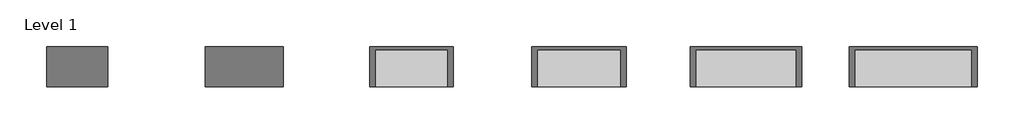
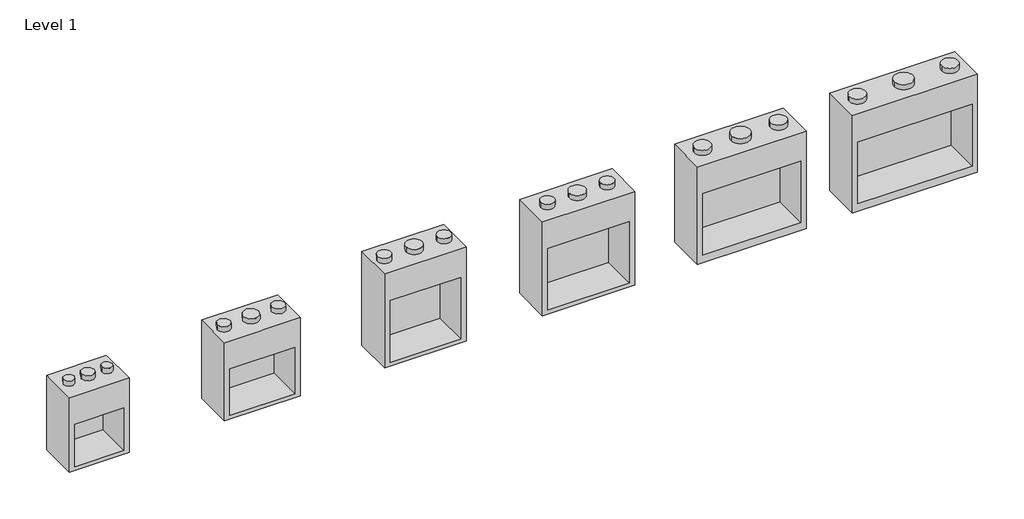
# One storey: 6 proxies.
"""IFC4 building model written with IfcOpenShell, lengths in millimetres."""

import ifcopenshell
import ifcopenshell.guid

model = None  # the IFC model being written
_history = None  # IfcOwnerHistory: only IFC2X3 demands one
_inside = {}  # id of a spatial element -> (the spatial element, [elements in it])
_under = {}  # id of a project, library or spatial element -> (it, [spatial elements below it])
_declared = {}  # id of a project -> (the project, [libraries it declares])
_typed = {}  # id of a type object -> (the type object, [elements of that type])
_made_of = {}  # id of a material, layer set ... -> (it, [elements and type objects made of it])


def new_model(schema):
    """Start an empty IFC model of exactly this schema.

    Asked for "IFC4X3", IfcOpenShell would pick the latest addendum, in which some entities
    have other attributes; the version numbers below select the first issue.
    IFC2X3 requires an IfcOwnerHistory on every rooted entity: one is made here for all.
    """
    global model, _history
    if schema == "IFC4X3":
        model = ifcopenshell.file(schema_version=(4, 3, 0, 0))
    else:
        model = ifcopenshell.file(schema=schema)
    _inside.clear()
    _under.clear()
    _declared.clear()
    _typed.clear()
    _made_of.clear()
    _history = None
    if model.schema == "IFC2X3":
        org = make("IfcOrganization", Name="unknown")
        user = make(
            "IfcPersonAndOrganization",
            ThePerson=make("IfcPerson", FamilyName="unknown"),
            TheOrganization=org,
        )
        app = make(
            "IfcApplication",
            ApplicationDeveloper=org,
            Version="unknown",
            ApplicationFullName="unknown",
            ApplicationIdentifier="unknown",
        )
        _history = make(
            "IfcOwnerHistory",
            OwningUser=user,
            OwningApplication=app,
            ChangeAction="ADDED",
            CreationDate=0,
        )
    return model


def make(cls, **values):
    """One entity of the class cls with the attributes given. An attribute that is None is left unset."""
    return model.create_entity(
        cls, **{name: value for name, value in values.items() if value is not None}
    )


def rooted(cls, **values):
    """An entity with a GlobalId (a new one), such as an element, a storey or a relation."""
    return make(cls, GlobalId=ifcopenshell.guid.new(), OwnerHistory=_history, **values)


def si_unit(unit_type, name, prefix=None):
    """IfcSIUnit, for example si_unit("LENGTHUNIT", "METRE", prefix="MILLI")."""
    return make("IfcSIUnit", UnitType=unit_type, Prefix=prefix, Name=name)


def assignment(units):
    """IfcUnitAssignment: the units of a project."""
    return None if units is None else make("IfcUnitAssignment", Units=units)


def point(xyz):
    """IfcCartesianPoint."""
    return None if xyz is None else make("IfcCartesianPoint", Coordinates=xyz)


def direction(xyz):
    """IfcDirection."""
    return None if xyz is None else make("IfcDirection", DirectionRatios=xyz)


def frame(location, z_axis=None, x_axis=None):
    """IfcAxis2Placement3D, a coordinate frame: its origin and axes. An axis left out is left unset."""
    return make(
        "IfcAxis2Placement3D",
        Location=point(location),
        Axis=direction(z_axis),
        RefDirection=direction(x_axis),
    )


def frame_2d(location, x_axis=None):
    """IfcAxis2Placement2D, a coordinate frame in the plane: its origin and x axis."""
    return make(
        "IfcAxis2Placement2D", Location=point(location), RefDirection=direction(x_axis)
    )


def origin():
    """The frame at (0, 0, 0) with its axes left unset."""
    return frame((0.0, 0.0, 0.0))


def origin_2d():
    """The frame at (0, 0) in the plane with its x axis left unset."""
    return frame_2d((0.0, 0.0))


def place(relative_to, where):
    """IfcLocalPlacement: puts the frame where relative to a parent placement (None: the world)."""
    return make(
        "IfcLocalPlacement", PlacementRelTo=relative_to, RelativePlacement=where
    )


def context(
    kind, dimensions, precision=None, world=None, true_north=None, identifier=None
):
    """IfcGeometricRepresentationContext, for example the 3D "Model" context."""
    return make(
        "IfcGeometricRepresentationContext",
        ContextIdentifier=identifier,
        ContextType=kind,
        CoordinateSpaceDimension=dimensions,
        Precision=precision,
        WorldCoordinateSystem=world,
        TrueNorth=true_north,
    )


def project(units=None, contexts=None):
    """IfcProject with its units and contexts."""
    return rooted(
        "IfcProject",
        Name="project",
        RepresentationContexts=contexts,
        UnitsInContext=assignment(units),
    )


def spatial(cls, under=None, at=None, **own):
    """A site, building, storey or space (cls), placed at a placement, below another one or the project."""
    s = rooted(cls, ObjectPlacement=at, **own)
    if under is not None:
        _under.setdefault(under.id(), (under, []))[1].append(s)
    return s


def circle_curve(where, radius):
    """IfcCircle in the frame where."""
    return make("IfcCircle", Position=where, Radius=radius)


def trimmed(basis, trim1, trim2, sense, master):
    """IfcTrimmedCurve: the piece of a basis curve between two trims."""
    return make(
        "IfcTrimmedCurve",
        BasisCurve=basis,
        Trim1=trim1,
        Trim2=trim2,
        SenseAgreement=sense,
        MasterRepresentation=master,
    )


def segment(curve, same_sense, transition):
    """IfcCompositeCurveSegment."""
    return make(
        "IfcCompositeCurveSegment",
        Transition=transition,
        SameSense=same_sense,
        ParentCurve=curve,
    )


def composite_curve(segments, self_intersect=None):
    """IfcCompositeCurve: segments joined end to end."""
    return make("IfcCompositeCurve", Segments=segments, SelfIntersect=self_intersect)


def outline(outer, holes=None, kind="AREA"):
    """IfcArbitraryClosedProfileDef: a profile drawn as a closed curve; with holes, ...WithVoids."""
    if holes is None:
        return make("IfcArbitraryClosedProfileDef", ProfileType=kind, OuterCurve=outer)
    return make(
        "IfcArbitraryProfileDefWithVoids",
        ProfileType=kind,
        OuterCurve=outer,
        InnerCurves=holes,
    )


def extrude(swept, where, along, depth):
    """IfcExtrudedAreaSolid: the profile swept, set in the frame where, extruded along a direction by depth."""
    return make(
        "IfcExtrudedAreaSolid",
        SweptArea=swept,
        Position=where,
        ExtrudedDirection=direction(along),
        Depth=depth,
    )


def faces_of(points, faces, orient=None, outer=None):
    """IfcFace entities. A face is a list of loops; a loop is a list of indices into points, from 0.

    orient and outer hold one flag for each loop. By default every Orientation is true, the
    first loop of a face is its IfcFaceOuterBound and the others are IfcFaceBound.
    """
    made = []
    for i, loops in enumerate(faces):
        bounds = []
        for j, loop in enumerate(loops):
            is_outer = j == 0 if outer is None else outer[i][j]
            bounds.append(
                make(
                    "IfcFaceOuterBound" if is_outer else "IfcFaceBound",
                    Bound=make("IfcPolyLoop", Polygon=[points[k] for k in loop]),
                    Orientation=True if orient is None else orient[i][j],
                )
            )
        made.append(make("IfcFace", Bounds=bounds))
    return made


def faceted_brep(points, faces, orient=None, outer=None, voids=None):
    """IfcFacetedBrep: a solid bounded by flat faces; with voids (closed shells), ...WithVoids."""
    shared = [point(p) for p in points]
    hull = make("IfcClosedShell", CfsFaces=faces_of(shared, faces, orient, outer))
    if voids is None:
        return make("IfcFacetedBrep", Outer=hull)
    return make(
        "IfcFacetedBrepWithVoids",
        Outer=hull,
        Voids=[
            make(cls, CfsFaces=faces_of(shared, fs, o, b)) for cls, fs, o, b in voids
        ],
    )


def shape(context_of_items, identifier, shape_type, items):
    """IfcShapeRepresentation: the items that make up one representation, for example the "Body"."""
    return make(
        "IfcShapeRepresentation",
        ContextOfItems=context_of_items,
        RepresentationIdentifier=identifier,
        RepresentationType=shape_type,
        Items=items,
    )


def source(mapping_origin, context_of_items, identifier, shape_type, items):
    """IfcRepresentationMap: a shape defined once, which mapped items show again and again."""
    return make(
        "IfcRepresentationMap",
        MappingOrigin=mapping_origin,
        MappedRepresentation=shape(context_of_items, identifier, shape_type, items),
    )


def transform(
    local_origin,
    x_axis=None,
    y_axis=None,
    z_axis=None,
    scale=None,
    scale2=None,
    scale3=None,
    uniform=True,
):
    """IfcCartesianTransformationOperator3D, or its non-uniform kind. x_axis, y_axis, z_axis: its Axis1, 2, 3."""
    if uniform:
        return make(
            "IfcCartesianTransformationOperator3D",
            Axis1=direction(x_axis),
            Axis2=direction(y_axis),
            LocalOrigin=point(local_origin),
            Scale=scale,
            Axis3=direction(z_axis),
        )
    return make(
        "IfcCartesianTransformationOperator3DnonUniform",
        Axis1=direction(x_axis),
        Axis2=direction(y_axis),
        LocalOrigin=point(local_origin),
        Scale=scale,
        Axis3=direction(z_axis),
        Scale2=scale2,
        Scale3=scale3,
    )


def mapped(mapping_source, mapping_target):
    """IfcMappedItem: shows the shape of a source again, moved by a transform."""
    return make(
        "IfcMappedItem", MappingSource=mapping_source, MappingTarget=mapping_target
    )


def made_of(thing, what):
    """Note that an element or type object is made of a material, layer set ...; save() writes the relation."""
    if what is not None:
        _made_of.setdefault(what.id(), (what, []))[1].append(thing)
    return thing


def element(
    cls,
    number,
    at=None,
    inside=None,
    cuts=None,
    type_object=None,
    material=None,
    context=None,
    identifier="Body",
    shape_type=None,
    held_by="IfcProductDefinitionShape",
    body=None,
    shapes=None,
    **own,
):
    """One element of the class cls, such as IfcWall. Its Tag is "e" and its number.

    at: its placement. inside: the storey or other place that contains it. cuts: it is an
    opening in that element (IfcRelVoidsElement). A single representation is given by context,
    identifier, shape_type and body (its items); several are given by shapes. held_by: the class
    of the entity that holds the representations. save() writes the other relations.
    """
    e = rooted(cls, Tag="e%d" % number, ObjectPlacement=at, **own)
    if body is not None:
        shapes = [shape(context, identifier, shape_type, body)]
    if shapes is not None:
        e.Representation = make(held_by, Representations=shapes)
    if inside is not None:
        _inside.setdefault(inside.id(), (inside, []))[1].append(e)
    if cuts is not None:
        rooted(
            "IfcRelVoidsElement", RelatingBuildingElement=cuts, RelatedOpeningElement=e
        )
    if type_object is not None:
        _typed.setdefault(type_object.id(), (type_object, []))[1].append(e)
    return made_of(e, material)


def aggregate(whole, parts):
    """IfcRelAggregates: a whole, such as a stair, and the parts it consists of."""
    return rooted("IfcRelAggregates", RelatingObject=whole, RelatedObjects=parts)


def save(model, path):
    """Write the relations noted so far, then the file.

    IfcRelAggregates (storeys below a building ...), IfcRelContainedInSpatialStructure (elements
    in a storey), IfcRelDefinesByType, IfcRelAssociatesMaterial and IfcRelDeclares: one each for
    every whole, place, type object, material and project.
    """
    for whole, parts in _under.values():
        aggregate(whole, parts)
    for where, things in _inside.values():
        rooted(
            "IfcRelContainedInSpatialStructure",
            RelatedElements=things,
            RelatingStructure=where,
        )
    for kind, things in _typed.values():
        rooted("IfcRelDefinesByType", RelatedObjects=things, RelatingType=kind)
    for what, things in _made_of.values():
        rooted("IfcRelAssociatesMaterial", RelatedObjects=things, RelatingMaterial=what)
    for by, libraries in _declared.values():
        rooted("IfcRelDeclares", RelatingContext=by, RelatedDefinitions=libraries)
    model.write(path)


def generic_models_3d589b19(model_context):
    return source(origin(), model_context, "Body", "SolidModel", [
        faceted_brep([(1016.0, 368.3, 1930.4), (-1016.0, 368.3, 1930.4), (-1016.0, -368.3, 1930.4), (1016.0, -368.3, 1930.4), (1016.0, 368.3, 0.0), (1016.0, -368.3, 0.0), (-1016.0, -368.3, 0.0), (-1016.0, 368.3, 0.0), (-914.4, -368.3, 1371.6), (914.4, -368.3, 1371.6), (914.4, -368.3, 152.4), (-914.4, -368.3, 152.4), (914.4, 307.149358, 1371.6), (-914.4, 307.149358, 1371.6), (-914.4, 307.149358, 152.4), (914.4, 307.149358, 152.4)], [[[0, 1, 2, 3]], [[4, 5, 6, 7]], [[1, 0, 4, 7]], [[2, 1, 7, 6]], [[3, 2, 6, 5], [8, 9, 10, 11]], [[0, 3, 5, 4]], [[12, 13, 14, 15]], [[13, 12, 9, 8]], [[14, 13, 8, 11]], [[15, 14, 11, 10]], [[12, 15, 10, 9]]]),
        extrude(outline(composite_curve([segment(trimmed(circle_curve(origin_2d(), 174.625), [point((-174.625, 0.0))], [point((174.625, 0.0))], False, "CARTESIAN"), True, "CONTINUOUS"), segment(trimmed(circle_curve(origin_2d(), 174.625), [point((174.625, 0.0))], [point((-174.625, 0.0))], False, "CARTESIAN"), True, "CONTINUOUS")], self_intersect=False)), frame((0.0, 0.0, 1930.4), z_axis=(0.0, 0.0, 1.0), x_axis=(1.0, 0.0, 0.0)), (0.0, 0.0, 1.0), 101.6),
        extrude(outline(composite_curve([segment(trimmed(circle_curve(frame_2d((-711.2, -0.0635)), 150.876), [point((-862.076, -0.0635))], [point((-560.324, -0.0635))], False, "CARTESIAN"), True, "CONTINUOUS"), segment(trimmed(circle_curve(frame_2d((-711.2, -0.0635)), 150.876), [point((-560.324, -0.0635))], [point((-862.076, -0.0635))], False, "CARTESIAN"), True, "CONTINUOUS")], self_intersect=False)), frame((0.0, 0.0, 1930.4), z_axis=(0.0, 0.0, 1.0), x_axis=(1.0, 0.0, 0.0)), (0.0, 0.0, 1.0), 101.6),
        extrude(outline(composite_curve([segment(trimmed(circle_curve(frame_2d((711.2, 0.0)), 150.8125), [point((560.3875, 0.0))], [point((862.0125, 0.0))], False, "CARTESIAN"), True, "CONTINUOUS"), segment(trimmed(circle_curve(frame_2d((711.2, 0.0)), 150.8125), [point((862.0125, 0.0))], [point((560.3875, 0.0))], False, "CARTESIAN"), True, "CONTINUOUS")], self_intersect=False)), frame((0.0, 0.0, 1930.4), z_axis=(0.0, 0.0, 1.0), x_axis=(1.0, 0.0, 0.0)), (0.0, 0.0, 1.0), 101.6),
    ])


def generic_models_e2311a0a(model_context):
    return source(origin(), model_context, "Body", "SolidModel", [
        faceted_brep([(1168.4, 368.3, 1930.4), (-1168.4, 368.3, 1930.4), (-1168.4, -368.3, 1930.4), (1168.4, -368.3, 1930.4), (1168.4, 368.3, 0.0), (1168.4, -368.3, 0.0), (-1168.4, -368.3, 0.0), (-1168.4, 368.3, 0.0), (-1066.8, -368.3, 1371.6), (1066.8, -368.3, 1371.6), (1066.8, -368.3, 152.4), (-1066.8, -368.3, 152.4), (1066.8, 307.149358, 1371.6), (-1066.8, 307.149358, 1371.6), (-1066.8, 307.149358, 152.4), (1066.8, 307.149358, 152.4)], [[[0, 1, 2, 3]], [[4, 5, 6, 7]], [[1, 0, 4, 7]], [[2, 1, 7, 6]], [[3, 2, 6, 5], [8, 9, 10, 11]], [[0, 3, 5, 4]], [[12, 13, 14, 15]], [[13, 12, 9, 8]], [[14, 13, 8, 11]], [[15, 14, 11, 10]], [[12, 15, 10, 9]]]),
        extrude(outline(composite_curve([segment(trimmed(circle_curve(origin_2d(), 174.625), [point((-174.625, 0.0))], [point((174.625, 0.0))], False, "CARTESIAN"), True, "CONTINUOUS"), segment(trimmed(circle_curve(origin_2d(), 174.625), [point((174.625, 0.0))], [point((-174.625, 0.0))], False, "CARTESIAN"), True, "CONTINUOUS")], self_intersect=False)), frame((0.0, 0.0, 1930.4), z_axis=(0.0, 0.0, 1.0), x_axis=(1.0, 0.0, 0.0)), (0.0, 0.0, 1.0), 101.6),
        extrude(outline(composite_curve([segment(trimmed(circle_curve(frame_2d((-863.6, -0.0635)), 150.876), [point((-1014.476, -0.0635))], [point((-712.724, -0.0635))], False, "CARTESIAN"), True, "CONTINUOUS"), segment(trimmed(circle_curve(frame_2d((-863.6, -0.0635)), 150.876), [point((-712.724, -0.0635))], [point((-1014.476, -0.0635))], False, "CARTESIAN"), True, "CONTINUOUS")], self_intersect=False)), frame((0.0, 0.0, 1930.4), z_axis=(0.0, 0.0, 1.0), x_axis=(1.0, 0.0, 0.0)), (0.0, 0.0, 1.0), 101.6),
        extrude(outline(composite_curve([segment(trimmed(circle_curve(frame_2d((863.6, 0.0)), 150.8125), [point((712.7875, 0.0))], [point((1014.4125, 0.0))], False, "CARTESIAN"), True, "CONTINUOUS"), segment(trimmed(circle_curve(frame_2d((863.6, 0.0)), 150.8125), [point((1014.4125, 0.0))], [point((712.7875, 0.0))], False, "CARTESIAN"), True, "CONTINUOUS")], self_intersect=False)), frame((0.0, 0.0, 1930.4), z_axis=(0.0, 0.0, 1.0), x_axis=(1.0, 0.0, 0.0)), (0.0, 0.0, 1.0), 101.6),
    ])


def generic_models_7038497d(model_context):
    return source(origin(), model_context, "Body", "SolidModel", [
        faceted_brep([(558.8, 368.3, 1473.2), (-558.8, 368.3, 1473.2), (-558.8, -368.3, 1473.2), (558.8, -368.3, 1473.2), (558.8, 368.3, 0.0), (558.8, -368.3, 0.0), (-558.8, -368.3, 0.0), (-558.8, 368.3, 0.0), (-457.2, -368.3, 914.4), (457.2, -368.3, 914.4), (457.2, -368.3, 76.2), (-457.2, -368.3, 76.2), (457.2, 308.4563686, 914.4), (-457.2, 308.4563686, 914.4), (-457.2, 308.4563686, 76.2), (457.2, 308.4563686, 76.2)], [[[0, 1, 2, 3]], [[4, 5, 6, 7]], [[1, 0, 4, 7]], [[2, 1, 7, 6]], [[3, 2, 6, 5], [8, 9, 10, 11]], [[0, 3, 5, 4]], [[12, 13, 14, 15]], [[13, 12, 9, 8]], [[14, 13, 8, 11]], [[15, 14, 11, 10]], [[12, 15, 10, 9]]]),
        extrude(outline(composite_curve([segment(trimmed(circle_curve(origin_2d(), 123.825), [point((-123.825, 0.0))], [point((123.825, 0.0))], False, "CARTESIAN"), True, "CONTINUOUS"), segment(trimmed(circle_curve(origin_2d(), 123.825), [point((123.825, 0.0))], [point((-123.825, 0.0))], False, "CARTESIAN"), True, "CONTINUOUS")], self_intersect=False)), frame((0.0, 0.0, 1473.2), z_axis=(0.0, 0.0, 1.0), x_axis=(1.0, 0.0, 0.0)), (0.0, 0.0, 1.0), 101.6),
        extrude(outline(composite_curve([segment(trimmed(circle_curve(frame_2d((-355.6, 0.0)), 100.0125), [point((-455.6125, 0.0))], [point((-255.5875, 0.0))], False, "CARTESIAN"), True, "CONTINUOUS"), segment(trimmed(circle_curve(frame_2d((-355.6, 0.0)), 100.0125), [point((-255.5875, 0.0))], [point((-455.6125, 0.0))], False, "CARTESIAN"), True, "CONTINUOUS")], self_intersect=False)), frame((0.0, 0.0, 1473.2), z_axis=(0.0, 0.0, 1.0), x_axis=(1.0, 0.0, 0.0)), (0.0, 0.0, 1.0), 101.6),
        extrude(outline(composite_curve([segment(trimmed(circle_curve(frame_2d((355.6, 0.0)), 100.0125), [point((255.5875, 0.0))], [point((455.6125, 0.0))], False, "CARTESIAN"), True, "CONTINUOUS"), segment(trimmed(circle_curve(frame_2d((355.6, 0.0)), 100.0125), [point((455.6125, 0.0))], [point((255.5875, 0.0))], False, "CARTESIAN"), True, "CONTINUOUS")], self_intersect=False)), frame((0.0, 0.0, 1473.2), z_axis=(0.0, 0.0, 1.0), x_axis=(1.0, 0.0, 0.0)), (0.0, 0.0, 1.0), 101.6),
    ])


def generic_models_60eb7863(model_context):
    return source(origin(), model_context, "Body", "SolidModel", [
        faceted_brep([(711.2, 368.3, 1549.4), (-711.2, 368.3, 1549.4), (-711.2, -368.3, 1549.4), (711.2, -368.3, 1549.4), (711.2, 368.3, 0.0), (711.2, -368.3, 0.0), (-711.2, -368.3, 0.0), (-711.2, 368.3, 0.0), (-609.6, -368.3, 990.6), (609.6, -368.3, 990.6), (609.6, -368.3, 76.2), (-609.6, -368.3, 76.2), (609.6, 307.149358, 990.6), (-609.6, 307.149358, 990.6), (-609.6, 307.149358, 76.2), (609.6, 307.149358, 76.2)], [[[0, 1, 2, 3]], [[4, 5, 6, 7]], [[1, 0, 4, 7]], [[2, 1, 7, 6]], [[3, 2, 6, 5], [8, 9, 10, 11]], [[0, 3, 5, 4]], [[12, 13, 14, 15]], [[13, 12, 9, 8]], [[14, 13, 8, 11]], [[15, 14, 11, 10]], [[12, 15, 10, 9]]]),
        extrude(outline(composite_curve([segment(trimmed(circle_curve(origin_2d(), 149.225), [point((-149.225, 0.0))], [point((149.225, 0.0))], False, "CARTESIAN"), True, "CONTINUOUS"), segment(trimmed(circle_curve(origin_2d(), 149.225), [point((149.225, 0.0))], [point((-149.225, 0.0))], False, "CARTESIAN"), True, "CONTINUOUS")], self_intersect=False)), frame((0.0, 0.0, 1549.4), z_axis=(0.0, 0.0, 1.0), x_axis=(1.0, 0.0, 0.0)), (0.0, 0.0, 1.0), 101.6),
        extrude(outline(composite_curve([segment(trimmed(circle_curve(frame_2d((-508.0, 0.0)), 125.4125), [point((-633.4125, 0.0))], [point((-382.5875, 0.0))], False, "CARTESIAN"), True, "CONTINUOUS"), segment(trimmed(circle_curve(frame_2d((-508.0, 0.0)), 125.4125), [point((-382.5875, 0.0))], [point((-633.4125, 0.0))], False, "CARTESIAN"), True, "CONTINUOUS")], self_intersect=False)), frame((0.0, 0.0, 1549.4), z_axis=(0.0, 0.0, 1.0), x_axis=(1.0, 0.0, 0.0)), (0.0, 0.0, 1.0), 101.6),
        extrude(outline(composite_curve([segment(trimmed(circle_curve(frame_2d((508.0, 0.0)), 125.4125), [point((382.5875, 0.0))], [point((633.4125, 0.0))], False, "CARTESIAN"), True, "CONTINUOUS"), segment(trimmed(circle_curve(frame_2d((508.0, 0.0)), 125.4125), [point((633.4125, 0.0))], [point((382.5875, 0.0))], False, "CARTESIAN"), True, "CONTINUOUS")], self_intersect=False)), frame((0.0, 0.0, 1549.4), z_axis=(0.0, 0.0, 1.0), x_axis=(1.0, 0.0, 0.0)), (0.0, 0.0, 1.0), 101.6),
    ])


def generic_models_cf3109e2(model_context):
    return source(origin(), model_context, "Body", "SolidModel", [
        faceted_brep([(762.0, 368.3, 1854.2), (-762.0, 368.3, 1854.2), (-762.0, -368.3, 1854.2), (762.0, -368.3, 1854.2), (762.0, 368.3, 0.0), (762.0, -368.3, 0.0), (-762.0, -368.3, 0.0), (-762.0, 368.3, 0.0), (-660.4, -368.3, 1295.4), (660.4, -368.3, 1295.4), (660.4, -368.3, 76.2), (-660.4, -368.3, 76.2), (660.4, 307.149358, 1295.4), (-660.4, 307.149358, 1295.4), (-660.4, 307.149358, 76.2), (660.4, 307.149358, 76.2)], [[[0, 1, 2, 3]], [[4, 5, 6, 7]], [[1, 0, 4, 7]], [[2, 1, 7, 6]], [[3, 2, 6, 5], [8, 9, 10, 11]], [[0, 3, 5, 4]], [[12, 13, 14, 15]], [[13, 12, 9, 8]], [[14, 13, 8, 11]], [[15, 14, 11, 10]], [[12, 15, 10, 9]]]),
        extrude(outline(composite_curve([segment(trimmed(circle_curve(origin_2d(), 149.225), [point((-149.225, 0.0))], [point((149.225, 0.0))], False, "CARTESIAN"), True, "CONTINUOUS"), segment(trimmed(circle_curve(origin_2d(), 149.225), [point((149.225, 0.0))], [point((-149.225, 0.0))], False, "CARTESIAN"), True, "CONTINUOUS")], self_intersect=False)), frame((0.0, 0.0, 1854.2), z_axis=(0.0, 0.0, 1.0), x_axis=(1.0, 0.0, 0.0)), (0.0, 0.0, 1.0), 101.6),
        extrude(outline(composite_curve([segment(trimmed(circle_curve(frame_2d((-558.8, 0.0)), 125.4125), [point((-684.2125, 0.0))], [point((-433.3875, 0.0))], False, "CARTESIAN"), True, "CONTINUOUS"), segment(trimmed(circle_curve(frame_2d((-558.8, 0.0)), 125.4125), [point((-433.3875, 0.0))], [point((-684.2125, 0.0))], False, "CARTESIAN"), True, "CONTINUOUS")], self_intersect=False)), frame((0.0, 0.0, 1854.2), z_axis=(0.0, 0.0, 1.0), x_axis=(1.0, 0.0, 0.0)), (0.0, 0.0, 1.0), 101.6),
        extrude(outline(composite_curve([segment(trimmed(circle_curve(frame_2d((558.8, 0.0)), 125.4125), [point((433.3875, 0.0))], [point((684.2125, 0.0))], False, "CARTESIAN"), True, "CONTINUOUS"), segment(trimmed(circle_curve(frame_2d((558.8, 0.0)), 125.4125), [point((684.2125, 0.0))], [point((433.3875, 0.0))], False, "CARTESIAN"), True, "CONTINUOUS")], self_intersect=False)), frame((0.0, 0.0, 1854.2), z_axis=(0.0, 0.0, 1.0), x_axis=(1.0, 0.0, 0.0)), (0.0, 0.0, 1.0), 101.6),
    ])


def generic_models_b043e27a(model_context):
    return source(origin(), model_context, "Body", "SolidModel", [
        faceted_brep([(863.6, 368.3, 1854.2), (-863.6, 368.3, 1854.2), (-863.6, -368.3, 1854.2), (863.6, -368.3, 1854.2), (863.6, 368.3, 0.0), (863.6, -368.3, 0.0), (-863.6, -368.3, 0.0), (-863.6, 368.3, 0.0), (-762.0, -368.3, 1295.4), (762.0, -368.3, 1295.4), (762.0, -368.3, 76.2), (-762.0, -368.3, 76.2), (762.0, 307.149358, 1295.4), (-762.0, 307.149358, 1295.4), (-762.0, 307.149358, 76.2), (762.0, 307.149358, 76.2)], [[[0, 1, 2, 3]], [[4, 5, 6, 7]], [[1, 0, 4, 7]], [[2, 1, 7, 6]], [[3, 2, 6, 5], [8, 9, 10, 11]], [[0, 3, 5, 4]], [[12, 13, 14, 15]], [[13, 12, 9, 8]], [[14, 13, 8, 11]], [[15, 14, 11, 10]], [[12, 15, 10, 9]]]),
        extrude(outline(composite_curve([segment(trimmed(circle_curve(origin_2d(), 149.225), [point((-149.225, 0.0))], [point((149.225, 0.0))], False, "CARTESIAN"), True, "CONTINUOUS"), segment(trimmed(circle_curve(origin_2d(), 149.225), [point((149.225, 0.0))], [point((-149.225, 0.0))], False, "CARTESIAN"), True, "CONTINUOUS")], self_intersect=False)), frame((0.0, 0.0, 1854.2), z_axis=(0.0, 0.0, 1.0), x_axis=(1.0, 0.0, 0.0)), (0.0, 0.0, 1.0), 101.6),
        extrude(outline(composite_curve([segment(trimmed(circle_curve(frame_2d((-558.8, 0.0)), 125.4125), [point((-684.2125, 0.0))], [point((-433.3875, 0.0))], False, "CARTESIAN"), True, "CONTINUOUS"), segment(trimmed(circle_curve(frame_2d((-558.8, 0.0)), 125.4125), [point((-433.3875, 0.0))], [point((-684.2125, 0.0))], False, "CARTESIAN"), True, "CONTINUOUS")], self_intersect=False)), frame((0.0, 0.0, 1854.2), z_axis=(0.0, 0.0, 1.0), x_axis=(1.0, 0.0, 0.0)), (0.0, 0.0, 1.0), 101.6),
        extrude(outline(composite_curve([segment(trimmed(circle_curve(frame_2d((558.8, 0.0)), 125.4125), [point((433.3875, 0.0))], [point((684.2125, 0.0))], False, "CARTESIAN"), True, "CONTINUOUS"), segment(trimmed(circle_curve(frame_2d((558.8, 0.0)), 125.4125), [point((684.2125, 0.0))], [point((433.3875, 0.0))], False, "CARTESIAN"), True, "CONTINUOUS")], self_intersect=False)), frame((0.0, 0.0, 1854.2), z_axis=(0.0, 0.0, 1.0), x_axis=(1.0, 0.0, 0.0)), (0.0, 0.0, 1.0), 101.6),
    ])


model = new_model("IFC4")

# Units and contexts
model_context = context("Model", 3, world=origin())
ifc_project = project(units=[si_unit("LENGTHUNIT", "METRE", prefix="MILLI")], contexts=[model_context])

# Site, building, storey
site = spatial("IfcSite", under=ifc_project)
building = spatial("IfcBuilding", under=site)
storey = spatial("IfcBuildingStorey", under=building, Name="Level 1", Elevation=0.0)

# Proxies
placement = place(None, origin())
generic_models_shape = generic_models_3d589b19(model_context)
element("IfcBuildingElementProxy", 1, Name="Generic Models", at=placement, inside=storey, context=model_context, shape_type="MappedRepresentation", body=[
    mapped(generic_models_shape, transform((-1809.2198318, 1759.745518, 0.0), x_axis=(1.0, 0.0, 0.0), y_axis=(0.0, 1.0, 0.0), z_axis=(0.0, 0.0, 1.0))),
])
generic_models_2_shape = generic_models_e2311a0a(model_context)
element("IfcBuildingElementProxy", 2, Name="Generic Models", at=placement, inside=storey, context=model_context, shape_type="MappedRepresentation", body=[
    mapped(generic_models_2_shape, transform((1238.7801682, 1759.745518, 0.0), x_axis=(1.0, 0.0, 0.0), y_axis=(0.0, 1.0, 0.0), z_axis=(0.0, 0.0, 1.0))),
])
generic_models_3_shape = generic_models_7038497d(model_context)
element("IfcBuildingElementProxy", 3, Name="Generic Models", at=placement, inside=storey, context=model_context, shape_type="MappedRepresentation", body=[
    mapped(generic_models_3_shape, transform((-14001.2198318, 1759.745518, 0.0), x_axis=(1.0, 0.0, 0.0), y_axis=(0.0, 1.0, 0.0), z_axis=(0.0, 0.0, 1.0))),
])
generic_models_4_shape = generic_models_60eb7863(model_context)
element("IfcBuildingElementProxy", 4, Name="Generic Models", at=placement, inside=storey, context=model_context, shape_type="MappedRepresentation", body=[
    mapped(generic_models_4_shape, transform((-10953.2198318, 1759.745518, 0.0), x_axis=(1.0, 0.0, 0.0), y_axis=(0.0, 1.0, 0.0), z_axis=(0.0, 0.0, 1.0))),
])
generic_models_5_shape = generic_models_cf3109e2(model_context)
element("IfcBuildingElementProxy", 5, Name="Generic Models", at=placement, inside=storey, context=model_context, shape_type="MappedRepresentation", body=[
    mapped(generic_models_5_shape, transform((-7905.2198318, 1759.745518, 0.0), x_axis=(1.0, 0.0, 0.0), y_axis=(0.0, 1.0, 0.0), z_axis=(0.0, 0.0, 1.0))),
])
generic_models_6_shape = generic_models_b043e27a(model_context)
element("IfcBuildingElementProxy", 6, Name="Generic Models", at=placement, inside=storey, context=model_context, shape_type="MappedRepresentation", body=[
    mapped(generic_models_6_shape, transform((-4857.2198318, 1759.745518, 0.0), x_axis=(1.0, 0.0, 0.0), y_axis=(0.0, 1.0, 0.0), z_axis=(0.0, 0.0, 1.0))),
])

save(model, "model.ifc")
